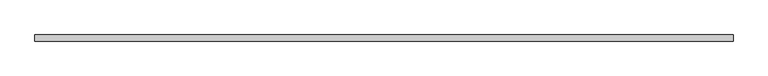
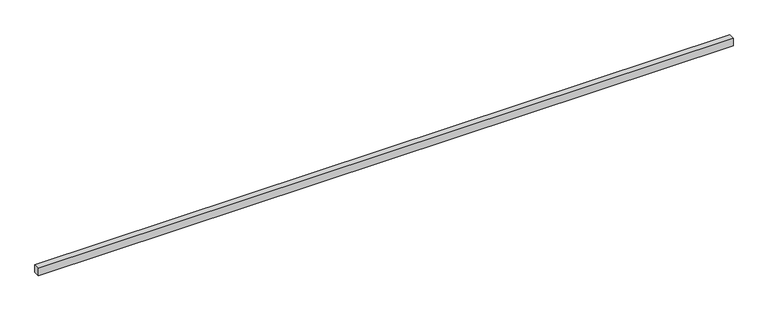
"""IFC4 building model written with IfcOpenShell, lengths in millimetres: proxy geometry."""

from ifc_helpers import new_model, si_unit, origin, origin_with_axes, place, context, project, spatial, polyline, outline, extrude, source, transform, mapped, element, save


def generic_models_c4658624(model_context):
    return source(origin(), model_context, "Body", "SweptSolid", [
        extrude(outline(polyline([(9127.3493345, -40.0), (0.0, -40.0), (0.0, 40.0), (9127.3493345, 40.0), (9127.3493345, -40.0)])), origin_with_axes(), (0.0, 0.0, 1.0), 100.0),
    ])


if __name__ == "__main__":
    model = new_model("IFC4")
    model_context = context("Model", 3, world=origin())
    ifc_project = project(units=[si_unit("LENGTHUNIT", "METRE", prefix="MILLI")], contexts=[model_context])
    site = spatial("IfcSite", under=ifc_project)
    building = spatial("IfcBuilding", under=site)
    placement = place(None, origin())
    generic_models_shape = generic_models_c4658624(model_context)
    element("IfcBuildingElementProxy", 1, Name="Generic Models", at=placement, inside=building, context=model_context, shape_type="MappedRepresentation", body=[
        mapped(generic_models_shape, transform((0.0, 0.0, 0.0), x_axis=(1.0, 0.0, 0.0), y_axis=(0.0, 1.0, 0.0), z_axis=(0.0, 0.0, 1.0))),
    ])
    save(model, "model.ifc")
